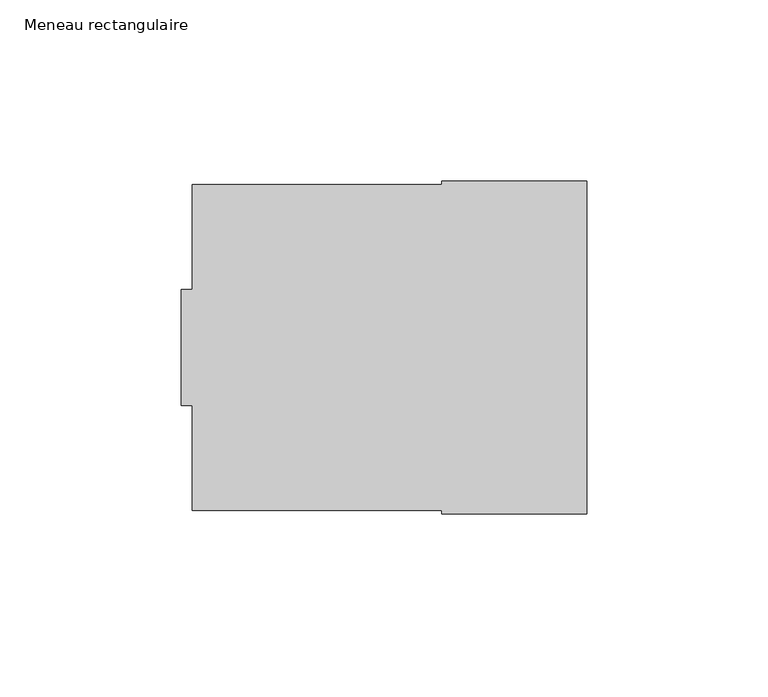
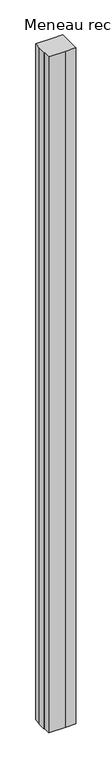
"""IFC4 building model written with IfcOpenShell, lengths in millimetres: member geometry, Meneau rectangulaire."""

from ifc_helpers import new_model, si_unit, frame, origin, place, context, project, spatial, polyline, outline, extrude, source, transform, mapped, element, save


def meneau_rectangulaire_8225d097(model_context):
    return source(origin(), model_context, "Body", "SweptSolid", [
        extrude(outline(polyline([(-109.0, 16.0), (-109.0, 45.0), (-40.0, 45.0), (-40.0, 46.0), (0.0, 46.0), (0.0, -46.0), (-40.0, -46.0), (-40.0, -45.0), (-109.0, -45.0), (-109.0, -16.0), (-112.0, -16.0), (-112.0, 16.0), (-109.0, 16.0)])), frame((0.0, 0.0, -2885.0), z_axis=(0.0, 0.0, 1.0), x_axis=(1.0, 0.0, 0.0)), (0.0, 0.0, 1.0), 2885.0),
    ])


if __name__ == "__main__":
    model = new_model("IFC4")
    model_context = context("Model", 3, world=origin())
    ifc_project = project(units=[si_unit("LENGTHUNIT", "METRE", prefix="MILLI")], contexts=[model_context])
    site = spatial("IfcSite", under=ifc_project)
    building = spatial("IfcBuilding", under=site)
    placement = place(None, origin())
    meneau_rectangulaire_shape = meneau_rectangulaire_8225d097(model_context)
    element("IfcMember", 1, ObjectType="Meneau rectangulaire", at=placement, inside=building, context=model_context, shape_type="MappedRepresentation", body=[
        mapped(meneau_rectangulaire_shape, transform((0.0, 0.0, 0.0), x_axis=(1.0, 0.0, 0.0), y_axis=(0.0, 1.0, 0.0), z_axis=(0.0, 0.0, 1.0))),
    ])
    save(model, "model.ifc")
